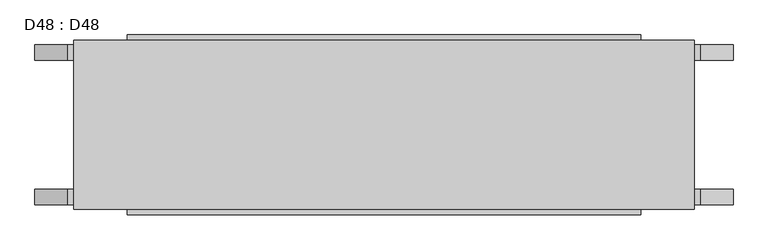
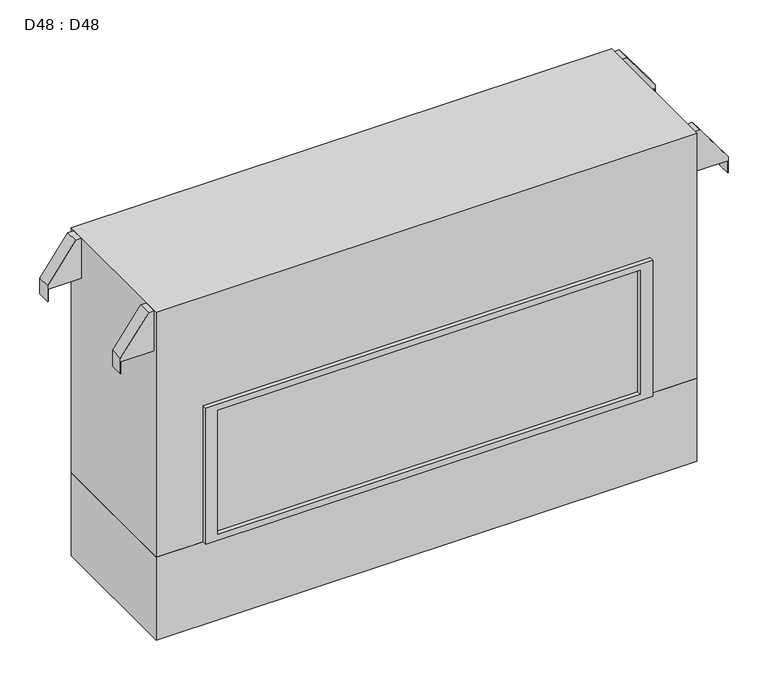
"""IFC4 building model written with IfcOpenShell, lengths in millimetres: proxy geometry, D48 : D48."""

import ifcopenshell
import ifcopenshell.guid

model = None  # the IFC model being written
_history = None  # IfcOwnerHistory: only IFC2X3 demands one
_inside = {}  # id of a spatial element -> (the spatial element, [elements in it])
_under = {}  # id of a project, library or spatial element -> (it, [spatial elements below it])
_declared = {}  # id of a project -> (the project, [libraries it declares])
_typed = {}  # id of a type object -> (the type object, [elements of that type])
_made_of = {}  # id of a material, layer set ... -> (it, [elements and type objects made of it])


def new_model(schema):
    """Start an empty IFC model of exactly this schema.

    Asked for "IFC4X3", IfcOpenShell would pick the latest addendum, in which some entities
    have other attributes; the version numbers below select the first issue.
    IFC2X3 requires an IfcOwnerHistory on every rooted entity: one is made here for all.
    """
    global model, _history
    if schema == "IFC4X3":
        model = ifcopenshell.file(schema_version=(4, 3, 0, 0))
    else:
        model = ifcopenshell.file(schema=schema)
    _inside.clear()
    _under.clear()
    _declared.clear()
    _typed.clear()
    _made_of.clear()
    _history = None
    if model.schema == "IFC2X3":
        org = make("IfcOrganization", Name="unknown")
        user = make(
            "IfcPersonAndOrganization",
            ThePerson=make("IfcPerson", FamilyName="unknown"),
            TheOrganization=org,
        )
        app = make(
            "IfcApplication",
            ApplicationDeveloper=org,
            Version="unknown",
            ApplicationFullName="unknown",
            ApplicationIdentifier="unknown",
        )
        _history = make(
            "IfcOwnerHistory",
            OwningUser=user,
            OwningApplication=app,
            ChangeAction="ADDED",
            CreationDate=0,
        )
    return model


def make(cls, **values):
    """One entity of the class cls with the attributes given. An attribute that is None is left unset."""
    return model.create_entity(
        cls, **{name: value for name, value in values.items() if value is not None}
    )


def rooted(cls, **values):
    """An entity with a GlobalId (a new one), such as an element, a storey or a relation."""
    return make(cls, GlobalId=ifcopenshell.guid.new(), OwnerHistory=_history, **values)


def si_unit(unit_type, name, prefix=None):
    """IfcSIUnit, for example si_unit("LENGTHUNIT", "METRE", prefix="MILLI")."""
    return make("IfcSIUnit", UnitType=unit_type, Prefix=prefix, Name=name)


def assignment(units):
    """IfcUnitAssignment: the units of a project."""
    return None if units is None else make("IfcUnitAssignment", Units=units)


def point(xyz):
    """IfcCartesianPoint."""
    return None if xyz is None else make("IfcCartesianPoint", Coordinates=xyz)


def direction(xyz):
    """IfcDirection."""
    return None if xyz is None else make("IfcDirection", DirectionRatios=xyz)


def frame(location, z_axis=None, x_axis=None):
    """IfcAxis2Placement3D, a coordinate frame: its origin and axes. An axis left out is left unset."""
    return make(
        "IfcAxis2Placement3D",
        Location=point(location),
        Axis=direction(z_axis),
        RefDirection=direction(x_axis),
    )


def origin():
    """The frame at (0, 0, 0) with its axes left unset."""
    return frame((0.0, 0.0, 0.0))


def origin_with_axes():
    """The frame at (0, 0, 0) with the z axis (0, 0, 1) and the x axis (1, 0, 0) written out."""
    return frame((0.0, 0.0, 0.0), z_axis=(0.0, 0.0, 1.0), x_axis=(1.0, 0.0, 0.0))


def place(relative_to, where):
    """IfcLocalPlacement: puts the frame where relative to a parent placement (None: the world)."""
    return make(
        "IfcLocalPlacement", PlacementRelTo=relative_to, RelativePlacement=where
    )


def context(
    kind, dimensions, precision=None, world=None, true_north=None, identifier=None
):
    """IfcGeometricRepresentationContext, for example the 3D "Model" context."""
    return make(
        "IfcGeometricRepresentationContext",
        ContextIdentifier=identifier,
        ContextType=kind,
        CoordinateSpaceDimension=dimensions,
        Precision=precision,
        WorldCoordinateSystem=world,
        TrueNorth=true_north,
    )


def project(units=None, contexts=None):
    """IfcProject with its units and contexts."""
    return rooted(
        "IfcProject",
        Name="project",
        RepresentationContexts=contexts,
        UnitsInContext=assignment(units),
    )


def spatial(cls, under=None, at=None, **own):
    """A site, building, storey or space (cls), placed at a placement, below another one or the project."""
    s = rooted(cls, ObjectPlacement=at, **own)
    if under is not None:
        _under.setdefault(under.id(), (under, []))[1].append(s)
    return s


def polyline(points):
    """IfcPolyline through the points."""
    return make("IfcPolyline", Points=[point(p) for p in points])


def outline(outer, holes=None, kind="AREA"):
    """IfcArbitraryClosedProfileDef: a profile drawn as a closed curve; with holes, ...WithVoids."""
    if holes is None:
        return make("IfcArbitraryClosedProfileDef", ProfileType=kind, OuterCurve=outer)
    return make(
        "IfcArbitraryProfileDefWithVoids",
        ProfileType=kind,
        OuterCurve=outer,
        InnerCurves=holes,
    )


def extrude(swept, where, along, depth):
    """IfcExtrudedAreaSolid: the profile swept, set in the frame where, extruded along a direction by depth."""
    return make(
        "IfcExtrudedAreaSolid",
        SweptArea=swept,
        Position=where,
        ExtrudedDirection=direction(along),
        Depth=depth,
    )


def shape(context_of_items, identifier, shape_type, items):
    """IfcShapeRepresentation: the items that make up one representation, for example the "Body"."""
    return make(
        "IfcShapeRepresentation",
        ContextOfItems=context_of_items,
        RepresentationIdentifier=identifier,
        RepresentationType=shape_type,
        Items=items,
    )


def source(mapping_origin, context_of_items, identifier, shape_type, items):
    """IfcRepresentationMap: a shape defined once, which mapped items show again and again."""
    return make(
        "IfcRepresentationMap",
        MappingOrigin=mapping_origin,
        MappedRepresentation=shape(context_of_items, identifier, shape_type, items),
    )


def transform(
    local_origin,
    x_axis=None,
    y_axis=None,
    z_axis=None,
    scale=None,
    scale2=None,
    scale3=None,
    uniform=True,
):
    """IfcCartesianTransformationOperator3D, or its non-uniform kind. x_axis, y_axis, z_axis: its Axis1, 2, 3."""
    if uniform:
        return make(
            "IfcCartesianTransformationOperator3D",
            Axis1=direction(x_axis),
            Axis2=direction(y_axis),
            LocalOrigin=point(local_origin),
            Scale=scale,
            Axis3=direction(z_axis),
        )
    return make(
        "IfcCartesianTransformationOperator3DnonUniform",
        Axis1=direction(x_axis),
        Axis2=direction(y_axis),
        LocalOrigin=point(local_origin),
        Scale=scale,
        Axis3=direction(z_axis),
        Scale2=scale2,
        Scale3=scale3,
    )


def mapped(mapping_source, mapping_target):
    """IfcMappedItem: shows the shape of a source again, moved by a transform."""
    return make(
        "IfcMappedItem", MappingSource=mapping_source, MappingTarget=mapping_target
    )


def made_of(thing, what):
    """Note that an element or type object is made of a material, layer set ...; save() writes the relation."""
    if what is not None:
        _made_of.setdefault(what.id(), (what, []))[1].append(thing)
    return thing


def element(
    cls,
    number,
    at=None,
    inside=None,
    cuts=None,
    type_object=None,
    material=None,
    context=None,
    identifier="Body",
    shape_type=None,
    held_by="IfcProductDefinitionShape",
    body=None,
    shapes=None,
    **own,
):
    """One element of the class cls, such as IfcWall. Its Tag is "e" and its number.

    at: its placement. inside: the storey or other place that contains it. cuts: it is an
    opening in that element (IfcRelVoidsElement). A single representation is given by context,
    identifier, shape_type and body (its items); several are given by shapes. held_by: the class
    of the entity that holds the representations. save() writes the other relations.
    """
    e = rooted(cls, Tag="e%d" % number, ObjectPlacement=at, **own)
    if body is not None:
        shapes = [shape(context, identifier, shape_type, body)]
    if shapes is not None:
        e.Representation = make(held_by, Representations=shapes)
    if inside is not None:
        _inside.setdefault(inside.id(), (inside, []))[1].append(e)
    if cuts is not None:
        rooted(
            "IfcRelVoidsElement", RelatingBuildingElement=cuts, RelatedOpeningElement=e
        )
    if type_object is not None:
        _typed.setdefault(type_object.id(), (type_object, []))[1].append(e)
    return made_of(e, material)


def aggregate(whole, parts):
    """IfcRelAggregates: a whole, such as a stair, and the parts it consists of."""
    return rooted("IfcRelAggregates", RelatingObject=whole, RelatedObjects=parts)


def save(model, path):
    """Write the relations noted so far, then the file.

    IfcRelAggregates (storeys below a building ...), IfcRelContainedInSpatialStructure (elements
    in a storey), IfcRelDefinesByType, IfcRelAssociatesMaterial and IfcRelDeclares: one each for
    every whole, place, type object, material and project.
    """
    for whole, parts in _under.values():
        aggregate(whole, parts)
    for where, things in _inside.values():
        rooted(
            "IfcRelContainedInSpatialStructure",
            RelatedElements=things,
            RelatingStructure=where,
        )
    for kind, things in _typed.values():
        rooted("IfcRelDefinesByType", RelatedObjects=things, RelatingType=kind)
    for what, things in _made_of.values():
        rooted("IfcRelAssociatesMaterial", RelatedObjects=things, RelatingMaterial=what)
    for by, libraries in _declared.values():
        rooted("IfcRelDeclares", RelatingContext=by, RelatedDefinitions=libraries)
    model.write(path)


def d48_d48_03faacfb(model_context):
    return source(origin(), model_context, "Body", "SweptSolid", [
        extrude(outline(polyline([(911.8600077, -811.2125), (1038.8600077, -811.2125), (1038.8600077, -828.0019363), (923.725043, -912.5840267), (873.7600292, -912.5840267), (873.7600292, -911.0600552), (911.8600077, -911.0600552), (911.8600077, -811.2125)])), frame((0.0, 169.1535326, 0.0), z_axis=(0.0, 1.0, 0.0), x_axis=(0.0, 0.0, 1.0)), (0.0, 0.0, 1.0), 40.3964674),
        extrude(outline(polyline([(911.8600077, -811.2125), (1038.8600077, -811.2125), (1038.8600077, -828.0019363), (923.725043, -912.5840267), (873.7600292, -912.5840267), (873.7600292, -911.0600552), (911.8600077, -911.0600552), (911.8600077, -811.2125)])), frame((0.0, -209.55, 0.0), z_axis=(0.0, 1.0, 0.0), x_axis=(0.0, 0.0, 1.0)), (0.0, 0.0, 1.0), 40.3964674),
        extrude(outline(polyline([(911.8600077, 811.2125), (911.8600077, 911.0600552), (873.7600292, 911.0600552), (873.7600292, 912.5840267), (923.725043, 912.5840267), (1038.8600077, 828.0019363), (1038.8600077, 811.2125), (911.8600077, 811.2125)])), frame((0.0, 169.1535326, 0.0), z_axis=(0.0, 1.0, 0.0), x_axis=(0.0, 0.0, 1.0)), (0.0, 0.0, 1.0), 40.3964674),
        extrude(outline(polyline([(911.8600077, 811.2125), (911.8600077, 911.0600552), (873.7600292, 911.0600552), (873.7600292, 912.5840267), (923.725043, 912.5840267), (1038.8600077, 828.0019363), (1038.8600077, 811.2125), (911.8600077, 811.2125)])), frame((0.0, -209.55, 0.0), z_axis=(0.0, 1.0, 0.0), x_axis=(0.0, 0.0, 1.0)), (0.0, 0.0, 1.0), 40.3964674),
        extrude(outline(polyline([(634.20625, 220.6625), (634.20625, -220.6625), (-634.20625, -220.6625), (-634.20625, 220.6625), (634.20625, 220.6625)])), frame((0.0, 0.0, 282.575), z_axis=(0.0, 0.0, 1.0), x_axis=(1.0, 0.0, 0.0)), (0.0, 0.0, 1.0), 393.7),
        extrude(outline(polyline([(1041.4, 811.2125), (1041.4, -811.2125), (263.525, -811.2125), (263.525, -670.71875), (695.325, -670.71875), (695.325, 670.71875), (263.525, 670.71875), (263.525, 811.2125), (1041.4, 811.2125)])), frame((0.0, -220.6625, 0.0), z_axis=(0.0, 1.0, 0.0), x_axis=(0.0, 0.0, 1.0)), (0.0, 0.0, 1.0), 441.325),
        extrude(outline(polyline([(695.325, 670.71875), (695.325, -670.71875), (263.525, -670.71875), (263.525, 670.71875), (695.325, 670.71875)]), holes=[polyline([(676.275, -634.20625), (676.275, 634.20625), (282.575, 634.20625), (282.575, -634.20625), (676.275, -634.20625)])]), frame((0.0, -234.95, 0.0), z_axis=(0.0, 1.0, 0.0), x_axis=(0.0, 0.0, 1.0)), (0.0, 0.0, 1.0), 469.9),
        extrude(outline(polyline([(811.2125, 220.6625), (811.2125, -220.6625), (-811.2125, -220.6625), (-811.2125, 220.6625), (811.2125, 220.6625)])), origin_with_axes(), (0.0, 0.0, 1.0), 263.525),
    ])


if __name__ == "__main__":
    model = new_model("IFC4")
    model_context = context("Model", 3, world=origin())
    ifc_project = project(units=[si_unit("LENGTHUNIT", "METRE", prefix="MILLI")], contexts=[model_context])
    site = spatial("IfcSite", under=ifc_project)
    building = spatial("IfcBuilding", under=site)
    placement = place(None, origin())
    d48_d48_shape = d48_d48_03faacfb(model_context)
    element("IfcBuildingElementProxy", 1, Name="D48 : D48", ObjectType="D48 : D48", at=placement, inside=building, context=model_context, shape_type="MappedRepresentation", body=[
        mapped(d48_d48_shape, transform((0.0, 0.0, 0.0), x_axis=(1.0, 0.0, 0.0), y_axis=(0.0, 1.0, 0.0), z_axis=(0.0, 0.0, 1.0))),
    ])
    save(model, "model.ifc")
